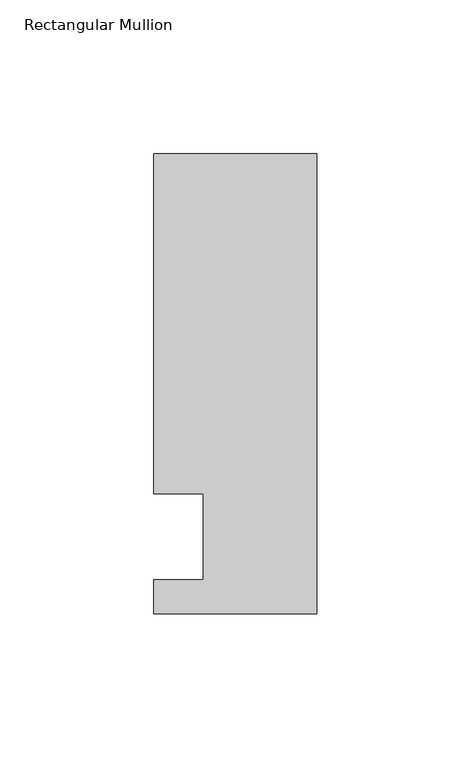
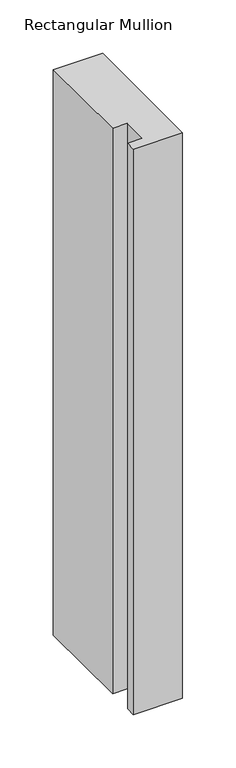
"""IFC4 building model written with IfcOpenShell, lengths in millimetres: member geometry, Rectangular Mullion."""

import ifcopenshell
import ifcopenshell.guid

model = None  # the IFC model being written
_history = None  # IfcOwnerHistory: only IFC2X3 demands one
_inside = {}  # id of a spatial element -> (the spatial element, [elements in it])
_under = {}  # id of a project, library or spatial element -> (it, [spatial elements below it])
_declared = {}  # id of a project -> (the project, [libraries it declares])
_typed = {}  # id of a type object -> (the type object, [elements of that type])
_made_of = {}  # id of a material, layer set ... -> (it, [elements and type objects made of it])


def new_model(schema):
    """Start an empty IFC model of exactly this schema.

    Asked for "IFC4X3", IfcOpenShell would pick the latest addendum, in which some entities
    have other attributes; the version numbers below select the first issue.
    IFC2X3 requires an IfcOwnerHistory on every rooted entity: one is made here for all.
    """
    global model, _history
    if schema == "IFC4X3":
        model = ifcopenshell.file(schema_version=(4, 3, 0, 0))
    else:
        model = ifcopenshell.file(schema=schema)
    _inside.clear()
    _under.clear()
    _declared.clear()
    _typed.clear()
    _made_of.clear()
    _history = None
    if model.schema == "IFC2X3":
        org = make("IfcOrganization", Name="unknown")
        user = make(
            "IfcPersonAndOrganization",
            ThePerson=make("IfcPerson", FamilyName="unknown"),
            TheOrganization=org,
        )
        app = make(
            "IfcApplication",
            ApplicationDeveloper=org,
            Version="unknown",
            ApplicationFullName="unknown",
            ApplicationIdentifier="unknown",
        )
        _history = make(
            "IfcOwnerHistory",
            OwningUser=user,
            OwningApplication=app,
            ChangeAction="ADDED",
            CreationDate=0,
        )
    return model


def make(cls, **values):
    """One entity of the class cls with the attributes given. An attribute that is None is left unset."""
    return model.create_entity(
        cls, **{name: value for name, value in values.items() if value is not None}
    )


def rooted(cls, **values):
    """An entity with a GlobalId (a new one), such as an element, a storey or a relation."""
    return make(cls, GlobalId=ifcopenshell.guid.new(), OwnerHistory=_history, **values)


def si_unit(unit_type, name, prefix=None):
    """IfcSIUnit, for example si_unit("LENGTHUNIT", "METRE", prefix="MILLI")."""
    return make("IfcSIUnit", UnitType=unit_type, Prefix=prefix, Name=name)


def assignment(units):
    """IfcUnitAssignment: the units of a project."""
    return None if units is None else make("IfcUnitAssignment", Units=units)


def point(xyz):
    """IfcCartesianPoint."""
    return None if xyz is None else make("IfcCartesianPoint", Coordinates=xyz)


def direction(xyz):
    """IfcDirection."""
    return None if xyz is None else make("IfcDirection", DirectionRatios=xyz)


def frame(location, z_axis=None, x_axis=None):
    """IfcAxis2Placement3D, a coordinate frame: its origin and axes. An axis left out is left unset."""
    return make(
        "IfcAxis2Placement3D",
        Location=point(location),
        Axis=direction(z_axis),
        RefDirection=direction(x_axis),
    )


def origin():
    """The frame at (0, 0, 0) with its axes left unset."""
    return frame((0.0, 0.0, 0.0))


def place(relative_to, where):
    """IfcLocalPlacement: puts the frame where relative to a parent placement (None: the world)."""
    return make(
        "IfcLocalPlacement", PlacementRelTo=relative_to, RelativePlacement=where
    )


def context(
    kind, dimensions, precision=None, world=None, true_north=None, identifier=None
):
    """IfcGeometricRepresentationContext, for example the 3D "Model" context."""
    return make(
        "IfcGeometricRepresentationContext",
        ContextIdentifier=identifier,
        ContextType=kind,
        CoordinateSpaceDimension=dimensions,
        Precision=precision,
        WorldCoordinateSystem=world,
        TrueNorth=true_north,
    )


def project(units=None, contexts=None):
    """IfcProject with its units and contexts."""
    return rooted(
        "IfcProject",
        Name="project",
        RepresentationContexts=contexts,
        UnitsInContext=assignment(units),
    )


def spatial(cls, under=None, at=None, **own):
    """A site, building, storey or space (cls), placed at a placement, below another one or the project."""
    s = rooted(cls, ObjectPlacement=at, **own)
    if under is not None:
        _under.setdefault(under.id(), (under, []))[1].append(s)
    return s


def polyline(points):
    """IfcPolyline through the points."""
    return make("IfcPolyline", Points=[point(p) for p in points])


def outline(outer, holes=None, kind="AREA"):
    """IfcArbitraryClosedProfileDef: a profile drawn as a closed curve; with holes, ...WithVoids."""
    if holes is None:
        return make("IfcArbitraryClosedProfileDef", ProfileType=kind, OuterCurve=outer)
    return make(
        "IfcArbitraryProfileDefWithVoids",
        ProfileType=kind,
        OuterCurve=outer,
        InnerCurves=holes,
    )


def extrude(swept, where, along, depth):
    """IfcExtrudedAreaSolid: the profile swept, set in the frame where, extruded along a direction by depth."""
    return make(
        "IfcExtrudedAreaSolid",
        SweptArea=swept,
        Position=where,
        ExtrudedDirection=direction(along),
        Depth=depth,
    )


def shape(context_of_items, identifier, shape_type, items):
    """IfcShapeRepresentation: the items that make up one representation, for example the "Body"."""
    return make(
        "IfcShapeRepresentation",
        ContextOfItems=context_of_items,
        RepresentationIdentifier=identifier,
        RepresentationType=shape_type,
        Items=items,
    )


def source(mapping_origin, context_of_items, identifier, shape_type, items):
    """IfcRepresentationMap: a shape defined once, which mapped items show again and again."""
    return make(
        "IfcRepresentationMap",
        MappingOrigin=mapping_origin,
        MappedRepresentation=shape(context_of_items, identifier, shape_type, items),
    )


def transform(
    local_origin,
    x_axis=None,
    y_axis=None,
    z_axis=None,
    scale=None,
    scale2=None,
    scale3=None,
    uniform=True,
):
    """IfcCartesianTransformationOperator3D, or its non-uniform kind. x_axis, y_axis, z_axis: its Axis1, 2, 3."""
    if uniform:
        return make(
            "IfcCartesianTransformationOperator3D",
            Axis1=direction(x_axis),
            Axis2=direction(y_axis),
            LocalOrigin=point(local_origin),
            Scale=scale,
            Axis3=direction(z_axis),
        )
    return make(
        "IfcCartesianTransformationOperator3DnonUniform",
        Axis1=direction(x_axis),
        Axis2=direction(y_axis),
        LocalOrigin=point(local_origin),
        Scale=scale,
        Axis3=direction(z_axis),
        Scale2=scale2,
        Scale3=scale3,
    )


def mapped(mapping_source, mapping_target):
    """IfcMappedItem: shows the shape of a source again, moved by a transform."""
    return make(
        "IfcMappedItem", MappingSource=mapping_source, MappingTarget=mapping_target
    )


def made_of(thing, what):
    """Note that an element or type object is made of a material, layer set ...; save() writes the relation."""
    if what is not None:
        _made_of.setdefault(what.id(), (what, []))[1].append(thing)
    return thing


def element(
    cls,
    number,
    at=None,
    inside=None,
    cuts=None,
    type_object=None,
    material=None,
    context=None,
    identifier="Body",
    shape_type=None,
    held_by="IfcProductDefinitionShape",
    body=None,
    shapes=None,
    **own,
):
    """One element of the class cls, such as IfcWall. Its Tag is "e" and its number.

    at: its placement. inside: the storey or other place that contains it. cuts: it is an
    opening in that element (IfcRelVoidsElement). A single representation is given by context,
    identifier, shape_type and body (its items); several are given by shapes. held_by: the class
    of the entity that holds the representations. save() writes the other relations.
    """
    e = rooted(cls, Tag="e%d" % number, ObjectPlacement=at, **own)
    if body is not None:
        shapes = [shape(context, identifier, shape_type, body)]
    if shapes is not None:
        e.Representation = make(held_by, Representations=shapes)
    if inside is not None:
        _inside.setdefault(inside.id(), (inside, []))[1].append(e)
    if cuts is not None:
        rooted(
            "IfcRelVoidsElement", RelatingBuildingElement=cuts, RelatedOpeningElement=e
        )
    if type_object is not None:
        _typed.setdefault(type_object.id(), (type_object, []))[1].append(e)
    return made_of(e, material)


def aggregate(whole, parts):
    """IfcRelAggregates: a whole, such as a stair, and the parts it consists of."""
    return rooted("IfcRelAggregates", RelatingObject=whole, RelatedObjects=parts)


def save(model, path):
    """Write the relations noted so far, then the file.

    IfcRelAggregates (storeys below a building ...), IfcRelContainedInSpatialStructure (elements
    in a storey), IfcRelDefinesByType, IfcRelAssociatesMaterial and IfcRelDeclares: one each for
    every whole, place, type object, material and project.
    """
    for whole, parts in _under.values():
        aggregate(whole, parts)
    for where, things in _inside.values():
        rooted(
            "IfcRelContainedInSpatialStructure",
            RelatedElements=things,
            RelatingStructure=where,
        )
    for kind, things in _typed.values():
        rooted("IfcRelDefinesByType", RelatedObjects=things, RelatingType=kind)
    for what, things in _made_of.values():
        rooted("IfcRelAssociatesMaterial", RelatedObjects=things, RelatingMaterial=what)
    for by, libraries in _declared.values():
        rooted("IfcRelDeclares", RelatingContext=by, RelatedDefinitions=libraries)
    model.write(path)


def rectangular_mullion_1a52c4fe(model_context):
    return source(origin(), model_context, "Body", "SweptSolid", [
        extrude(outline(polyline([(0.0, -25.0), (-53.0, -25.0), (-53.0, -14.0), (-37.0, -14.0), (-37.0, 14.0), (-53.0, 14.0), (-53.0, 124.5), (0.0, 124.5), (0.0, -25.0)])), frame((0.0, 0.0, -645.5615776), z_axis=(0.0, 0.0, 1.0), x_axis=(1.0, 0.0, 0.0)), (0.0, 0.0, 1.0), 645.5615776),
    ])


if __name__ == "__main__":
    model = new_model("IFC4")
    model_context = context("Model", 3, world=origin())
    ifc_project = project(units=[si_unit("LENGTHUNIT", "METRE", prefix="MILLI")], contexts=[model_context])
    site = spatial("IfcSite", under=ifc_project)
    building = spatial("IfcBuilding", under=site)
    placement = place(None, origin())
    rectangular_mullion_shape = rectangular_mullion_1a52c4fe(model_context)
    element("IfcMember", 1, ObjectType="Rectangular Mullion", at=placement, inside=building, context=model_context, shape_type="MappedRepresentation", body=[
        mapped(rectangular_mullion_shape, transform((0.0, 0.0, 0.0), x_axis=(1.0, 0.0, 0.0), y_axis=(0.0, 1.0, 0.0), z_axis=(0.0, 0.0, 1.0))),
    ])
    save(model, "model.ifc")
